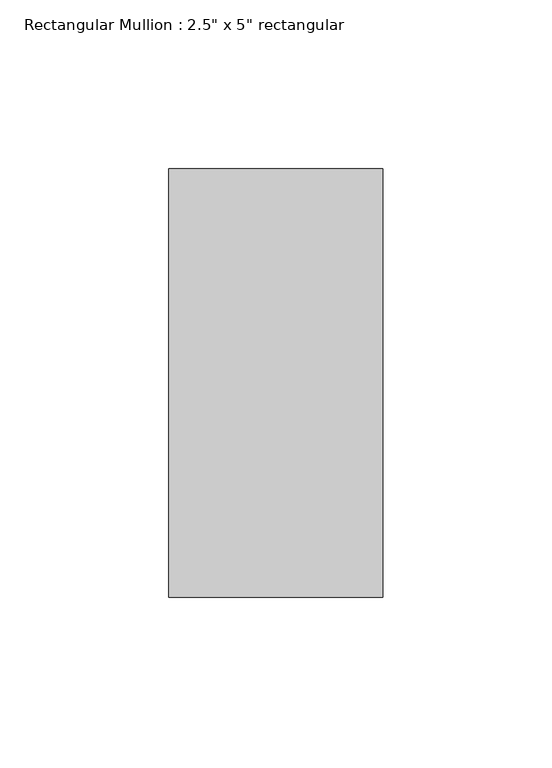
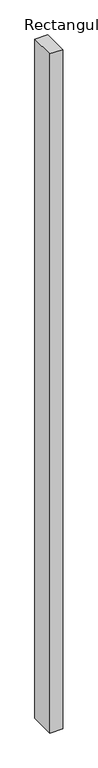
"""IFC4 building model written with IfcOpenShell, lengths in millimetres: member geometry."""

from ifc_helpers import new_model, si_unit, frame, origin, place, context, project, spatial, polyline, outline, extrude, source, transform, mapped, element, save


def member_9b8eb05a(model_context):
    return source(origin(), model_context, "Body", "SweptSolid", [
        extrude(outline(polyline([(0.0, 63.5), (0.0, -63.5), (-63.5, -63.5), (-63.5, 63.5), (0.0, 63.5)])), frame((0.0, 0.0, -3530.6), z_axis=(0.0, 0.0, 1.0), x_axis=(1.0, 0.0, 0.0)), (0.0, 0.0, 1.0), 3530.6),
    ])


if __name__ == "__main__":
    model = new_model("IFC4")
    model_context = context("Model", 3, world=origin())
    ifc_project = project(units=[si_unit("LENGTHUNIT", "METRE", prefix="MILLI")], contexts=[model_context])
    site = spatial("IfcSite", under=ifc_project)
    building = spatial("IfcBuilding", under=site)
    placement = place(None, origin())
    member_shape = member_9b8eb05a(model_context)
    element("IfcMember", 1, ObjectType="Rectangular Mullion : 2.5\" x 5\" rectangular", at=placement, inside=building, context=model_context, shape_type="MappedRepresentation", body=[
        mapped(member_shape, transform((0.0, 0.0, 0.0), x_axis=(1.0, 0.0, 0.0), y_axis=(0.0, 1.0, 0.0), z_axis=(0.0, 0.0, 1.0))),
    ])
    save(model, "model.ifc")
